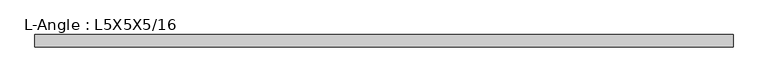
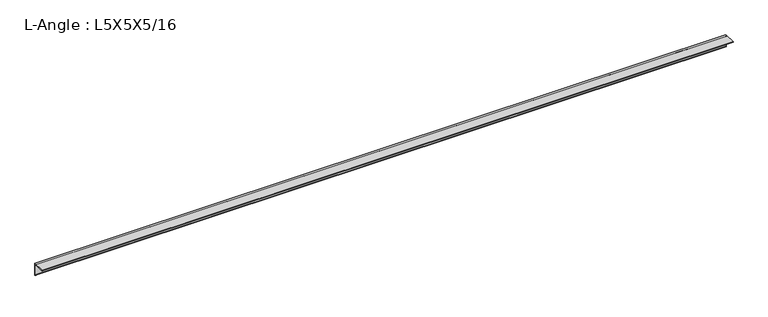
"""IFC4 building model written with IfcOpenShell, lengths in millimetres: beam geometry, L-Angle : L5X5X5/16."""

from ifc_helpers import new_model, si_unit, point, frame, frame_2d, origin, place, context, project, spatial, polyline, circle_curve, trimmed, segment, composite_curve, outline, extrude, source, transform, mapped, element, save


def l_angle_l5x5x5_16_65c6ac3a(model_context):
    return source(origin(), model_context, "Body", "SweptSolid", [
        extrude(outline(composite_curve([segment(polyline([(34.3296875, 34.3296875), (34.3296875, -92.6703125)]), True, "CONTINUOUS"), segment(trimmed(circle_curve(frame_2d((34.3296875, -84.7328125)), 7.9375), [point((34.3296875, -92.6703125))], [point((26.3921875, -84.7328125))], False, "CARTESIAN"), True, "CONTINUOUS"), segment(polyline([(26.3921875, -84.7328125), (26.3921875, 18.4546875)]), True, "CONTINUOUS"), segment(trimmed(circle_curve(frame_2d((18.4546875, 18.4546875)), 7.9375), [point((26.3921875, 18.4546875))], [point((18.4546875, 26.3921875))], True, "CARTESIAN"), True, "CONTINUOUS"), segment(polyline([(18.4546875, 26.3921875), (-84.7328125, 26.3921875)]), True, "CONTINUOUS"), segment(trimmed(circle_curve(frame_2d((-84.7328125, 34.3296875)), 7.9375), [point((-84.7328125, 26.3921875))], [point((-92.6703125, 34.3296875))], False, "CARTESIAN"), True, "CONTINUOUS"), segment(polyline([(-92.6703125, 34.3296875), (34.3296875, 34.3296875)]), True, "CONTINUOUS")], self_intersect=False)), frame((-3552.2296875, 0.0, 0.0), z_axis=(1.0, 0.0, 0.0), x_axis=(0.0, 1.0, 0.0)), (0.0, 0.0, 1.0), 7104.459375),
    ])


if __name__ == "__main__":
    model = new_model("IFC4")
    model_context = context("Model", 3, world=origin())
    ifc_project = project(units=[si_unit("LENGTHUNIT", "METRE", prefix="MILLI")], contexts=[model_context])
    site = spatial("IfcSite", under=ifc_project)
    building = spatial("IfcBuilding", under=site)
    placement = place(None, origin())
    l_angle_l5x5x5_16_shape = l_angle_l5x5x5_16_65c6ac3a(model_context)
    element("IfcBeam", 1, ObjectType="L-Angle : L5X5X5/16", at=placement, inside=building, context=model_context, shape_type="MappedRepresentation", body=[
        mapped(l_angle_l5x5x5_16_shape, transform((0.0, 0.0, 0.0), x_axis=(1.0, 0.0, 0.0), y_axis=(0.0, 1.0, 0.0), z_axis=(0.0, 0.0, 1.0))),
    ])
    save(model, "model.ifc")
